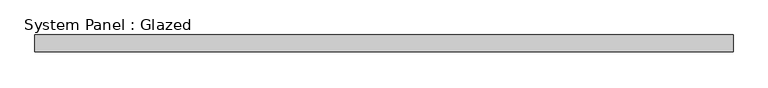
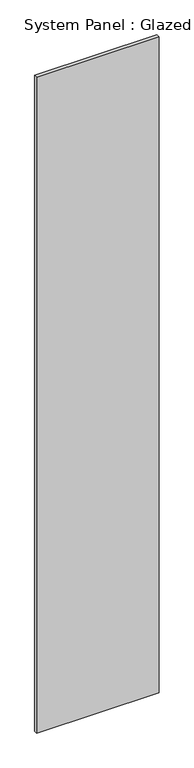
"""IFC4 building model written with IfcOpenShell, lengths in millimetres: plate geometry, System Panel : Glazed."""

import ifcopenshell
import ifcopenshell.guid

model = None  # the IFC model being written
_history = None  # IfcOwnerHistory: only IFC2X3 demands one
_inside = {}  # id of a spatial element -> (the spatial element, [elements in it])
_under = {}  # id of a project, library or spatial element -> (it, [spatial elements below it])
_declared = {}  # id of a project -> (the project, [libraries it declares])
_typed = {}  # id of a type object -> (the type object, [elements of that type])
_made_of = {}  # id of a material, layer set ... -> (it, [elements and type objects made of it])


def new_model(schema):
    """Start an empty IFC model of exactly this schema.

    Asked for "IFC4X3", IfcOpenShell would pick the latest addendum, in which some entities
    have other attributes; the version numbers below select the first issue.
    IFC2X3 requires an IfcOwnerHistory on every rooted entity: one is made here for all.
    """
    global model, _history
    if schema == "IFC4X3":
        model = ifcopenshell.file(schema_version=(4, 3, 0, 0))
    else:
        model = ifcopenshell.file(schema=schema)
    _inside.clear()
    _under.clear()
    _declared.clear()
    _typed.clear()
    _made_of.clear()
    _history = None
    if model.schema == "IFC2X3":
        org = make("IfcOrganization", Name="unknown")
        user = make(
            "IfcPersonAndOrganization",
            ThePerson=make("IfcPerson", FamilyName="unknown"),
            TheOrganization=org,
        )
        app = make(
            "IfcApplication",
            ApplicationDeveloper=org,
            Version="unknown",
            ApplicationFullName="unknown",
            ApplicationIdentifier="unknown",
        )
        _history = make(
            "IfcOwnerHistory",
            OwningUser=user,
            OwningApplication=app,
            ChangeAction="ADDED",
            CreationDate=0,
        )
    return model


def make(cls, **values):
    """One entity of the class cls with the attributes given. An attribute that is None is left unset."""
    return model.create_entity(
        cls, **{name: value for name, value in values.items() if value is not None}
    )


def rooted(cls, **values):
    """An entity with a GlobalId (a new one), such as an element, a storey or a relation."""
    return make(cls, GlobalId=ifcopenshell.guid.new(), OwnerHistory=_history, **values)


def si_unit(unit_type, name, prefix=None):
    """IfcSIUnit, for example si_unit("LENGTHUNIT", "METRE", prefix="MILLI")."""
    return make("IfcSIUnit", UnitType=unit_type, Prefix=prefix, Name=name)


def assignment(units):
    """IfcUnitAssignment: the units of a project."""
    return None if units is None else make("IfcUnitAssignment", Units=units)


def point(xyz):
    """IfcCartesianPoint."""
    return None if xyz is None else make("IfcCartesianPoint", Coordinates=xyz)


def direction(xyz):
    """IfcDirection."""
    return None if xyz is None else make("IfcDirection", DirectionRatios=xyz)


def frame(location, z_axis=None, x_axis=None):
    """IfcAxis2Placement3D, a coordinate frame: its origin and axes. An axis left out is left unset."""
    return make(
        "IfcAxis2Placement3D",
        Location=point(location),
        Axis=direction(z_axis),
        RefDirection=direction(x_axis),
    )


def origin():
    """The frame at (0, 0, 0) with its axes left unset."""
    return frame((0.0, 0.0, 0.0))


def origin_with_axes():
    """The frame at (0, 0, 0) with the z axis (0, 0, 1) and the x axis (1, 0, 0) written out."""
    return frame((0.0, 0.0, 0.0), z_axis=(0.0, 0.0, 1.0), x_axis=(1.0, 0.0, 0.0))


def place(relative_to, where):
    """IfcLocalPlacement: puts the frame where relative to a parent placement (None: the world)."""
    return make(
        "IfcLocalPlacement", PlacementRelTo=relative_to, RelativePlacement=where
    )


def context(
    kind, dimensions, precision=None, world=None, true_north=None, identifier=None
):
    """IfcGeometricRepresentationContext, for example the 3D "Model" context."""
    return make(
        "IfcGeometricRepresentationContext",
        ContextIdentifier=identifier,
        ContextType=kind,
        CoordinateSpaceDimension=dimensions,
        Precision=precision,
        WorldCoordinateSystem=world,
        TrueNorth=true_north,
    )


def project(units=None, contexts=None):
    """IfcProject with its units and contexts."""
    return rooted(
        "IfcProject",
        Name="project",
        RepresentationContexts=contexts,
        UnitsInContext=assignment(units),
    )


def spatial(cls, under=None, at=None, **own):
    """A site, building, storey or space (cls), placed at a placement, below another one or the project."""
    s = rooted(cls, ObjectPlacement=at, **own)
    if under is not None:
        _under.setdefault(under.id(), (under, []))[1].append(s)
    return s


def polyline(points):
    """IfcPolyline through the points."""
    return make("IfcPolyline", Points=[point(p) for p in points])


def outline(outer, holes=None, kind="AREA"):
    """IfcArbitraryClosedProfileDef: a profile drawn as a closed curve; with holes, ...WithVoids."""
    if holes is None:
        return make("IfcArbitraryClosedProfileDef", ProfileType=kind, OuterCurve=outer)
    return make(
        "IfcArbitraryProfileDefWithVoids",
        ProfileType=kind,
        OuterCurve=outer,
        InnerCurves=holes,
    )


def extrude(swept, where, along, depth):
    """IfcExtrudedAreaSolid: the profile swept, set in the frame where, extruded along a direction by depth."""
    return make(
        "IfcExtrudedAreaSolid",
        SweptArea=swept,
        Position=where,
        ExtrudedDirection=direction(along),
        Depth=depth,
    )


def shape(context_of_items, identifier, shape_type, items):
    """IfcShapeRepresentation: the items that make up one representation, for example the "Body"."""
    return make(
        "IfcShapeRepresentation",
        ContextOfItems=context_of_items,
        RepresentationIdentifier=identifier,
        RepresentationType=shape_type,
        Items=items,
    )


def source(mapping_origin, context_of_items, identifier, shape_type, items):
    """IfcRepresentationMap: a shape defined once, which mapped items show again and again."""
    return make(
        "IfcRepresentationMap",
        MappingOrigin=mapping_origin,
        MappedRepresentation=shape(context_of_items, identifier, shape_type, items),
    )


def transform(
    local_origin,
    x_axis=None,
    y_axis=None,
    z_axis=None,
    scale=None,
    scale2=None,
    scale3=None,
    uniform=True,
):
    """IfcCartesianTransformationOperator3D, or its non-uniform kind. x_axis, y_axis, z_axis: its Axis1, 2, 3."""
    if uniform:
        return make(
            "IfcCartesianTransformationOperator3D",
            Axis1=direction(x_axis),
            Axis2=direction(y_axis),
            LocalOrigin=point(local_origin),
            Scale=scale,
            Axis3=direction(z_axis),
        )
    return make(
        "IfcCartesianTransformationOperator3DnonUniform",
        Axis1=direction(x_axis),
        Axis2=direction(y_axis),
        LocalOrigin=point(local_origin),
        Scale=scale,
        Axis3=direction(z_axis),
        Scale2=scale2,
        Scale3=scale3,
    )


def mapped(mapping_source, mapping_target):
    """IfcMappedItem: shows the shape of a source again, moved by a transform."""
    return make(
        "IfcMappedItem", MappingSource=mapping_source, MappingTarget=mapping_target
    )


def made_of(thing, what):
    """Note that an element or type object is made of a material, layer set ...; save() writes the relation."""
    if what is not None:
        _made_of.setdefault(what.id(), (what, []))[1].append(thing)
    return thing


def element(
    cls,
    number,
    at=None,
    inside=None,
    cuts=None,
    type_object=None,
    material=None,
    context=None,
    identifier="Body",
    shape_type=None,
    held_by="IfcProductDefinitionShape",
    body=None,
    shapes=None,
    **own,
):
    """One element of the class cls, such as IfcWall. Its Tag is "e" and its number.

    at: its placement. inside: the storey or other place that contains it. cuts: it is an
    opening in that element (IfcRelVoidsElement). A single representation is given by context,
    identifier, shape_type and body (its items); several are given by shapes. held_by: the class
    of the entity that holds the representations. save() writes the other relations.
    """
    e = rooted(cls, Tag="e%d" % number, ObjectPlacement=at, **own)
    if body is not None:
        shapes = [shape(context, identifier, shape_type, body)]
    if shapes is not None:
        e.Representation = make(held_by, Representations=shapes)
    if inside is not None:
        _inside.setdefault(inside.id(), (inside, []))[1].append(e)
    if cuts is not None:
        rooted(
            "IfcRelVoidsElement", RelatingBuildingElement=cuts, RelatedOpeningElement=e
        )
    if type_object is not None:
        _typed.setdefault(type_object.id(), (type_object, []))[1].append(e)
    return made_of(e, material)


def aggregate(whole, parts):
    """IfcRelAggregates: a whole, such as a stair, and the parts it consists of."""
    return rooted("IfcRelAggregates", RelatingObject=whole, RelatedObjects=parts)


def save(model, path):
    """Write the relations noted so far, then the file.

    IfcRelAggregates (storeys below a building ...), IfcRelContainedInSpatialStructure (elements
    in a storey), IfcRelDefinesByType, IfcRelAssociatesMaterial and IfcRelDeclares: one each for
    every whole, place, type object, material and project.
    """
    for whole, parts in _under.values():
        aggregate(whole, parts)
    for where, things in _inside.values():
        rooted(
            "IfcRelContainedInSpatialStructure",
            RelatedElements=things,
            RelatingStructure=where,
        )
    for kind, things in _typed.values():
        rooted("IfcRelDefinesByType", RelatedObjects=things, RelatingType=kind)
    for what, things in _made_of.values():
        rooted("IfcRelAssociatesMaterial", RelatedObjects=things, RelatingMaterial=what)
    for by, libraries in _declared.values():
        rooted("IfcRelDeclares", RelatingContext=by, RelatedDefinitions=libraries)
    model.write(path)


def system_panel_glazed_e263133d(model_context):
    return source(origin(), model_context, "Body", "SweptSolid", [
        extrude(outline(polyline([(520.2666667, 19.05), (-520.2666667, 19.05), (-520.2666667, 44.45), (520.2666667, 44.45), (520.2666667, 19.05)])), origin_with_axes(), (0.0, 0.0, 1.0), 5890.0),
    ])


if __name__ == "__main__":
    model = new_model("IFC4")
    model_context = context("Model", 3, world=origin())
    ifc_project = project(units=[si_unit("LENGTHUNIT", "METRE", prefix="MILLI")], contexts=[model_context])
    site = spatial("IfcSite", under=ifc_project)
    building = spatial("IfcBuilding", under=site)
    placement = place(None, origin())
    system_panel_glazed_shape = system_panel_glazed_e263133d(model_context)
    element("IfcPlate", 1, ObjectType="System Panel : Glazed", at=placement, inside=building, context=model_context, shape_type="MappedRepresentation", body=[
        mapped(system_panel_glazed_shape, transform((0.0, 0.0, 0.0), x_axis=(1.0, 0.0, 0.0), y_axis=(0.0, 1.0, 0.0), z_axis=(0.0, 0.0, 1.0))),
    ])
    save(model, "model.ifc")
